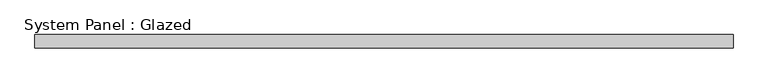
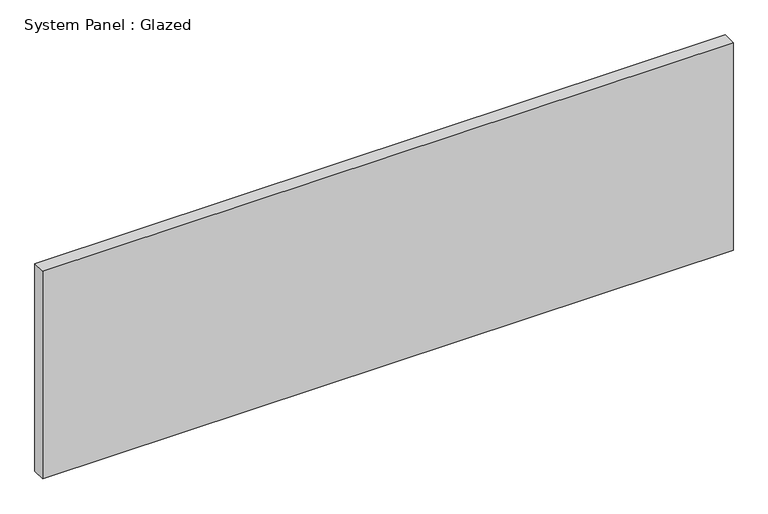
"""IFC4 building model written with IfcOpenShell, lengths in millimetres: plate geometry, System Panel : Glazed."""

from ifc_helpers import new_model, si_unit, origin, origin_with_axes, place, context, project, spatial, polyline, outline, extrude, source, transform, mapped, element, save


def system_panel_glazed_cc20af80(model_context):
    return source(origin(), model_context, "Body", "SweptSolid", [
        extrude(outline(polyline([(645.3333333, -49.5), (-645.3333333, -49.5), (-645.3333333, -24.5), (645.3333333, -24.5), (645.3333333, -49.5)])), origin_with_axes(), (0.0, 0.0, 1.0), 410.0),
    ])


if __name__ == "__main__":
    model = new_model("IFC4")
    model_context = context("Model", 3, world=origin())
    ifc_project = project(units=[si_unit("LENGTHUNIT", "METRE", prefix="MILLI")], contexts=[model_context])
    site = spatial("IfcSite", under=ifc_project)
    building = spatial("IfcBuilding", under=site)
    placement = place(None, origin())
    system_panel_glazed_shape = system_panel_glazed_cc20af80(model_context)
    element("IfcPlate", 1, ObjectType="System Panel : Glazed", at=placement, inside=building, context=model_context, shape_type="MappedRepresentation", body=[
        mapped(system_panel_glazed_shape, transform((0.0, 0.0, 0.0), x_axis=(1.0, 0.0, 0.0), y_axis=(0.0, 1.0, 0.0), z_axis=(0.0, 0.0, 1.0))),
    ])
    save(model, "model.ifc")
